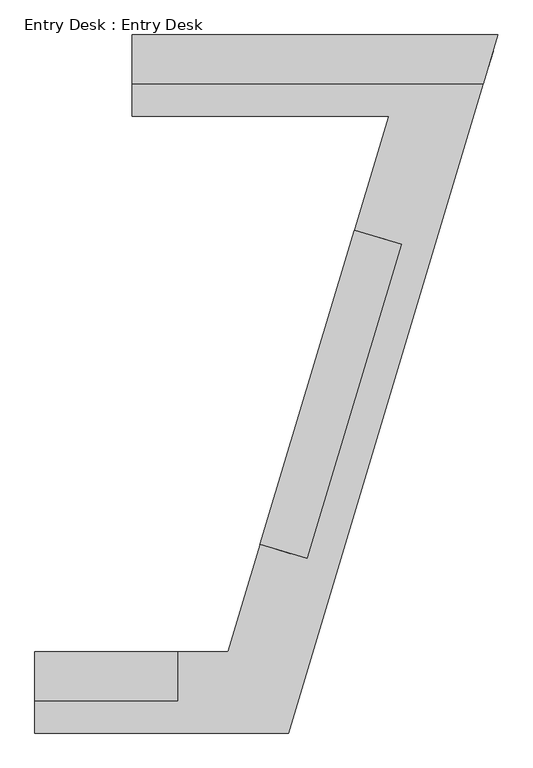
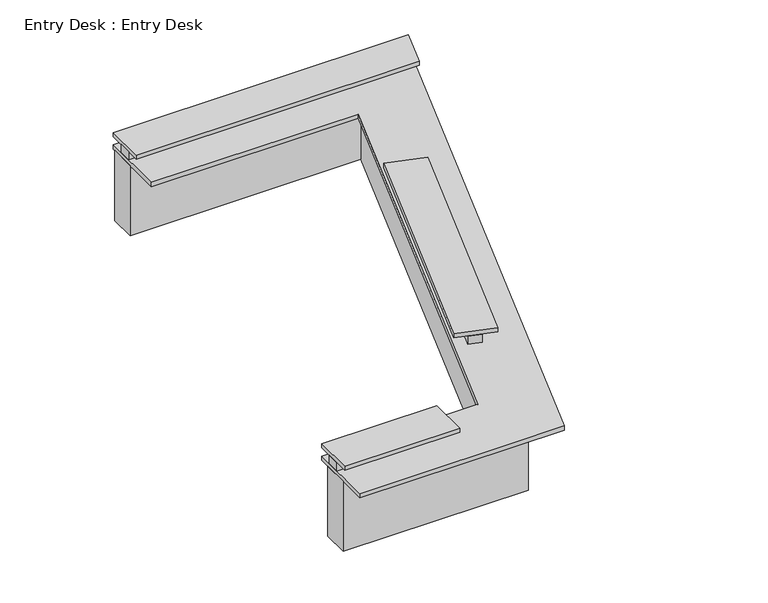
"""IFC4 building model written with IfcOpenShell, lengths in millimetres: furniture geometry, Entry Desk : Entry Desk."""

from ifc_helpers import new_model, si_unit, frame, origin, origin_with_axes, place, context, project, spatial, polyline, outline, extrude, source, transform, mapped, element, save


def entry_desk_entry_desk_ad5c3e4b(model_context):
    return source(origin(), model_context, "Body", "SweptSolid", [
        extrude(outline(polyline([(189600.5922811, -249759.0080223), (186261.1629676, -249759.0080223), (186261.1629676, -249606.6080223), (189646.4005777, -249606.6080223), (189600.5922811, -249759.0080223)])), frame((0.0, 0.0, 914.4), z_axis=(0.0, 0.0, 1.0), x_axis=(1.0, 0.0, 0.0)), (0.0, 0.0, 1.0), 101.6),
        extrude(outline(polyline([(186685.0254676, -255389.8705223), (186685.0254676, -255542.2705223), (185346.7629676, -255542.2705223), (185346.7629676, -255389.8705223), (186685.0254676, -255389.8705223)])), frame((0.0, 0.0, 914.4), z_axis=(0.0, 0.0, 1.0), x_axis=(1.0, 0.0, 0.0)), (0.0, 0.0, 1.0), 101.6),
        extrude(outline(polyline([(188485.9980007, -251327.0329538), (188631.9474327, -251370.9023427), (187746.6974839, -254316.0477008), (187600.7480518, -254272.1783118), (188485.9980007, -251327.0329538)])), frame((0.0, 0.0, 914.4), z_axis=(0.0, 0.0, 1.0), x_axis=(1.0, 0.0, 0.0)), (0.0, 0.0, 1.0), 101.6),
        extrude(outline(polyline([(188947.0198187, -249787.5830223), (186261.1629676, -249787.5830223), (186261.1629676, -249482.7830223), (189356.907743, -249482.7830223), (187498.3315408, -255666.0955223), (185346.7629676, -255666.0955223), (185346.7629676, -255361.2955223), (187271.6768031, -255361.2955223), (188947.0198187, -249787.5830223)])), origin_with_axes(), (0.0, 0.0, 1.0), 863.6),
        extrude(outline(polyline([(186685.0254676, -255237.4705223), (186685.0254676, -255694.6705223), (185346.7629676, -255694.6705223), (185346.7629676, -255237.4705223), (186685.0254676, -255237.4705223)])), frame((0.0, 0.0, 1016.0), z_axis=(0.0, 0.0, 1.0), x_axis=(1.0, 0.0, 0.0)), (0.0, 0.0, 1.0), 50.8),
        extrude(outline(polyline([(188346.2261063, -251285.0204052), (188784.0744024, -251416.6285721), (187898.8244535, -254361.7739301), (187460.9761574, -254230.1657632), (188346.2261063, -251285.0204052)])), frame((0.0, 0.0, 1016.0), z_axis=(0.0, 0.0, 1.0), x_axis=(1.0, 0.0, 0.0)), (0.0, 0.0, 1.0), 50.8),
        extrude(outline(polyline([(186261.1629676, -249911.4080223), (186261.1629676, -249454.2080223), (189692.2088743, -249454.2080223), (189554.7839844, -249911.4080223), (186261.1629676, -249911.4080223)])), frame((0.0, 0.0, 1016.0), z_axis=(0.0, 0.0, 1.0), x_axis=(1.0, 0.0, 0.0)), (0.0, 0.0, 1.0), 50.8),
        extrude(outline(polyline([(187724.8379676, -255999.4705223), (185346.7629676, -255999.4705223), (185346.7629676, -255237.4705223), (187158.2011232, -255237.4705223), (188667.4890635, -250216.2080223), (186261.1629676, -250216.2080223), (186261.1629676, -249454.2080223), (189692.2088743, -249454.2080223), (187724.8379676, -255999.4705223)])), frame((0.0, 0.0, 863.6), z_axis=(0.0, 0.0, 1.0), x_axis=(1.0, 0.0, 0.0)), (0.0, 0.0, 1.0), 50.8),
    ])


if __name__ == "__main__":
    model = new_model("IFC4")
    model_context = context("Model", 3, world=origin())
    ifc_project = project(units=[si_unit("LENGTHUNIT", "METRE", prefix="MILLI")], contexts=[model_context])
    site = spatial("IfcSite", under=ifc_project)
    building = spatial("IfcBuilding", under=site)
    placement = place(None, origin())
    entry_desk_entry_desk_shape = entry_desk_entry_desk_ad5c3e4b(model_context)
    element("IfcFurniture", 1, ObjectType="Entry Desk : Entry Desk", at=placement, inside=building, context=model_context, shape_type="MappedRepresentation", body=[
        mapped(entry_desk_entry_desk_shape, transform((0.0, 0.0, 0.0), x_axis=(1.0, 0.0, 0.0), y_axis=(0.0, 1.0, 0.0), z_axis=(0.0, 0.0, 1.0))),
    ])
    save(model, "model.ifc")
